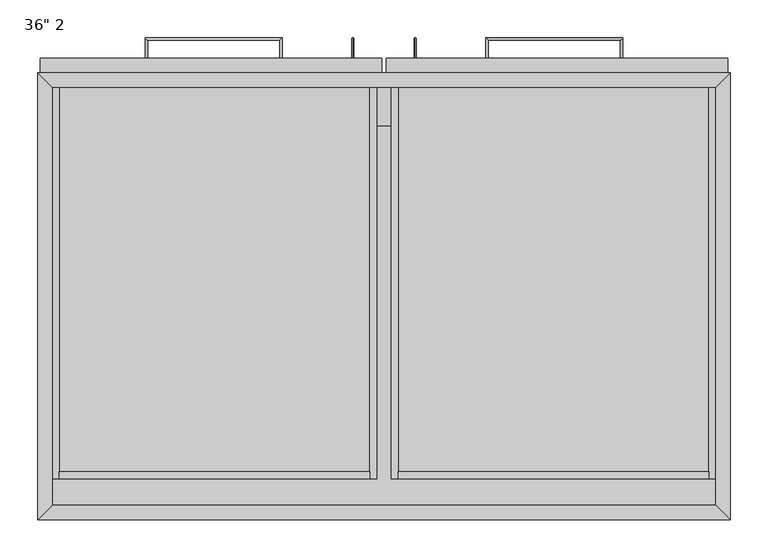
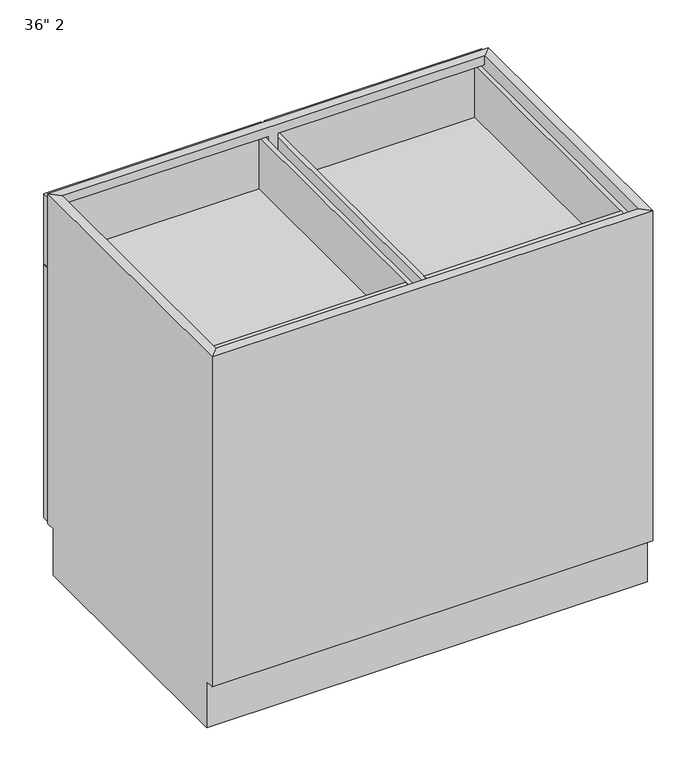
"""IFC4 building model written with IfcOpenShell, lengths in millimetres: furniture geometry."""

from ifc_helpers import new_model, si_unit, frame, origin, place, context, project, spatial, polyline, circle_curve, ellipse_curve, outline, extrude, faceted_brep, source, transform, mapped, element, save
from ifc_brep_helpers import plane_surface, cylinder_surface, advanced_brep


def furniture_7ae30dd4(model_context):
    return source(origin(), model_context, "Body", "SolidModel", [
        extrude(outline(polyline([(-419.4122951, 520.7), (-419.4122951, 571.5), (456.8877049, 571.5), (456.8877049, 520.7), (-419.4122951, 520.7)])), frame((0.0, 0.0, 654.05), z_axis=(0.0, 0.0, 1.0), x_axis=(1.0, 0.0, 0.0)), (0.0, 0.0, 1.0), 19.05),
        extrude(outline(polyline([(456.8877049, 19.05), (-419.4122951, 19.05), (-419.4122951, 571.5), (456.8877049, 571.5), (456.8877049, 19.05)])), frame((0.0, 0.0, 101.6), z_axis=(0.0, 0.0, 1.0), x_axis=(1.0, 0.0, 0.0)), (0.0, 0.0, 1.0), 19.05),
        extrude(outline(polyline([(15.5627049, 609.6), (15.5627049, 590.55), (-435.2872951, 590.55), (-435.2872951, 609.6), (15.5627049, 609.6)])), frame((0.0, 0.0, 660.4), z_axis=(0.0, 0.0, 1.0), x_axis=(1.0, 0.0, 0.0)), (0.0, 0.0, 1.0), 152.4),
        extrude(outline(polyline([(472.7627049, 609.6), (472.7627049, 590.55), (21.9127049, 590.55), (21.9127049, 609.6), (472.7627049, 609.6)])), frame((0.0, 0.0, 660.4), z_axis=(0.0, 0.0, 1.0), x_axis=(1.0, 0.0, 0.0)), (0.0, 0.0, 1.0), 152.4),
        extrude(outline(polyline([(15.5627049, 609.6), (15.5627049, 590.55), (-435.2872951, 590.55), (-435.2872951, 609.6), (15.5627049, 609.6)])), frame((0.0, 0.0, 101.6), z_axis=(0.0, 0.0, 1.0), x_axis=(1.0, 0.0, 0.0)), (0.0, 0.0, 1.0), 555.625),
        extrude(outline(polyline([(472.7627049, 609.6), (472.7627049, 590.55), (21.9127049, 590.55), (21.9127049, 609.6), (472.7627049, 609.6)])), frame((0.0, 0.0, 101.6), z_axis=(0.0, 0.0, 1.0), x_axis=(1.0, 0.0, 0.0)), (0.0, 0.0, 1.0), 555.625),
        advanced_brep(
        [(-118.9787451, 609.6, 742.7699324), (-115.8037451, 609.6, 742.7699324), (-115.8037451, 636.5875, 742.7699324), (-118.9787451, 633.4125, 742.7699324), (-296.7787451, 636.5875, 742.7699324), (-293.6037451, 633.4125, 742.7699324), (-293.6037451, 609.6, 742.7699324), (-296.7787451, 609.6, 742.7699324)],
        [
            (0, 1, circle_curve(frame((-117.3912451, 609.6, 742.7699324), z_axis=(0.0, -1.0, 0.0), x_axis=(1.0, 0.0, 0.0)), 1.5875)),
            (1, 0, circle_curve(frame((-117.3912451, 609.6, 742.7699324), z_axis=(0.0, -1.0, 0.0), x_axis=(1.0, 0.0, 0.0)), 1.5875)),
            (1, 2),
            (2, 3, ellipse_curve(frame((-117.3912451, 635.0, 742.7699324), z_axis=(0.7071067811865475, -0.7071067811865475, 0.0), x_axis=(-0.7071067811865474, -0.7071067811865476, 0.0)), 2.245064, 1.5875)),
            (3, 0),
            (3, 2, ellipse_curve(frame((-117.3912451, 635.0, 742.7699324), z_axis=(0.7071067811865475, -0.7071067811865475, 0.0), x_axis=(-0.7071067811865474, -0.7071067811865476, 0.0)), 2.245064, 1.5875)),
            (2, 4),
            (4, 5, ellipse_curve(frame((-295.1912451, 635.0, 742.7699324), z_axis=(0.7071067811865475, 0.7071067811865475, 0.0), x_axis=(0.7071067811865476, -0.7071067811865474, 0.0)), 2.245064, 1.5875)),
            (5, 3),
            (5, 4, ellipse_curve(frame((-295.1912451, 635.0, 742.7699324), z_axis=(0.7071067811865475, 0.7071067811865475, 0.0), x_axis=(0.7071067811865476, -0.7071067811865474, 0.0)), 2.245064, 1.5875)),
            (6, 7, circle_curve(frame((-295.1912451, 609.6, 742.7699324), z_axis=(0.0, -1.0, 0.0), x_axis=(-1.0, 0.0, 0.0)), 1.5875)),
            (7, 6, circle_curve(frame((-295.1912451, 609.6, 742.7699324), z_axis=(0.0, -1.0, 0.0), x_axis=(-1.0, 0.0, 0.0)), 1.5875)),
            (4, 7),
            (6, 5),
        ],
        [
            plane_surface(frame((-117.3912451, 609.6, 742.7699324), z_axis=(0.0, -1.0, 0.0), x_axis=(0.0, 0.0, 1.0))),
            cylinder_surface(frame((-117.3912451, 609.6, 742.7699324), z_axis=(0.0, -1.0, 0.0), x_axis=(1.0, 0.0, 0.0)), 1.5875),
            cylinder_surface(frame((-117.3912451, 635.0, 742.7699324), z_axis=(1.0, 0.0, 0.0), x_axis=(0.0, 1.0, 0.0)), 1.5875),
            plane_surface(frame((-295.1912451, 609.6, 742.7699324), z_axis=(0.0, -1.0, 0.0), x_axis=(0.0, 0.0, 1.0))),
            cylinder_surface(frame((-295.1912451, 635.0, 742.7699324), z_axis=(0.0, 1.0, 0.0), x_axis=(-1.0, 0.0, 0.0)), 1.5875),
        ],
        [
            (0, [[1, 2]]),
            (1, [[3, 4, 5, -2]]),
            (1, [[-5, 6, -3, -1]]),
            (2, [[7, 8, 9, -4]]),
            (2, [[-9, 10, -7, -6]]),
            (3, [[11, 12]]),
            (4, [[13, -11, 14, -8]]),
            (4, [[-14, -12, -13, -10]]),
        ],
    ),
        advanced_brep(
        [(153.2791549, 609.6, 742.7699324), (156.4541549, 609.6, 742.7699324), (156.4541549, 633.4125, 742.7699324), (153.2791549, 636.5875, 742.7699324), (331.0791549, 633.4125, 742.7699324), (334.2541549, 636.5875, 742.7699324), (334.2541549, 609.6, 742.7699324), (331.0791549, 609.6, 742.7699324)],
        [
            (0, 1, circle_curve(frame((154.8666549, 609.6, 742.7699324), z_axis=(0.0, -1.0, 0.0), x_axis=(1.0, 0.0, 0.0)), 1.5875)),
            (1, 0, circle_curve(frame((154.8666549, 609.6, 742.7699324), z_axis=(0.0, -1.0, 0.0), x_axis=(1.0, 0.0, 0.0)), 1.5875)),
            (1, 2),
            (2, 3, ellipse_curve(frame((154.8666549, 635.0, 742.7699324), z_axis=(-0.7071067811865475, -0.7071067811865475, 0.0), x_axis=(0.7071067811865474, -0.7071067811865476, 0.0)), 2.245064, 1.5875)),
            (3, 0),
            (3, 2, ellipse_curve(frame((154.8666549, 635.0, 742.7699324), z_axis=(-0.7071067811865475, -0.7071067811865475, 0.0), x_axis=(0.7071067811865474, -0.7071067811865476, 0.0)), 2.245064, 1.5875)),
            (2, 4),
            (4, 5, ellipse_curve(frame((332.6666549, 635.0, 742.7699324), z_axis=(-0.7071067811865475, 0.7071067811865475, 0.0), x_axis=(-0.7071067811865476, -0.7071067811865474, 0.0)), 2.245064, 1.5875)),
            (5, 3),
            (5, 4, ellipse_curve(frame((332.6666549, 635.0, 742.7699324), z_axis=(-0.7071067811865475, 0.7071067811865475, 0.0), x_axis=(-0.7071067811865476, -0.7071067811865474, 0.0)), 2.245064, 1.5875)),
            (6, 7, circle_curve(frame((332.6666549, 609.6, 742.7699324), z_axis=(0.0, -1.0, 0.0), x_axis=(-1.0, 0.0, 0.0)), 1.5875)),
            (7, 6, circle_curve(frame((332.6666549, 609.6, 742.7699324), z_axis=(0.0, -1.0, 0.0), x_axis=(-1.0, 0.0, 0.0)), 1.5875)),
            (4, 7),
            (6, 5),
        ],
        [
            plane_surface(frame((154.8666549, 609.6, 742.7699324), z_axis=(0.0, -1.0, 0.0), x_axis=(0.0, 0.0, 1.0))),
            cylinder_surface(frame((154.8666549, 609.6, 742.7699324), z_axis=(0.0, -1.0, 0.0), x_axis=(1.0, 0.0, 0.0)), 1.5875),
            cylinder_surface(frame((154.8666549, 635.0, 742.7699324), z_axis=(-1.0, 0.0, 0.0), x_axis=(0.0, -1.0, 0.0)), 1.5875),
            plane_surface(frame((332.6666549, 609.6, 742.7699324), z_axis=(0.0, -1.0, 0.0), x_axis=(0.0, 0.0, 1.0))),
            cylinder_surface(frame((332.6666549, 635.0, 742.7699324), z_axis=(0.0, 1.0, 0.0), x_axis=(-1.0, 0.0, 0.0)), 1.5875),
        ],
        [
            (0, [[1, 2]]),
            (1, [[3, 4, 5, -2]]),
            (1, [[-5, 6, -3, -1]]),
            (2, [[7, 8, 9, -4]]),
            (2, [[-9, 10, -7, -6]]),
            (3, [[11, 12]]),
            (4, [[13, -11, 14, -8]]),
            (4, [[-14, -12, -13, -10]]),
        ],
    ),
        advanced_brep(
        [(-22.5139911, 609.6, 617.5375), (-22.5139911, 609.6, 620.7125), (-22.5139911, 636.5875, 620.7125), (-22.5139911, 633.4125, 617.5375), (-22.5139911, 636.5875, 442.9125), (-22.5139911, 633.4125, 446.0875), (-22.5139911, 609.6, 446.0875), (-22.5139911, 609.6, 442.9125)],
        [
            (0, 1, circle_curve(frame((-22.5139911, 609.6, 619.125), z_axis=(0.0, -1.0, 0.0), x_axis=(0.0, 0.0, 1.0)), 1.5875)),
            (1, 0, circle_curve(frame((-22.5139911, 609.6, 619.125), z_axis=(0.0, -1.0, 0.0), x_axis=(0.0, 0.0, 1.0)), 1.5875)),
            (1, 2),
            (2, 3, ellipse_curve(frame((-22.5139911, 635.0, 619.125), z_axis=(0.0, -0.7071067811865475, 0.7071067811865475), x_axis=(0.0, -0.7071067811865476, -0.7071067811865474)), 2.245064, 1.5875)),
            (3, 0),
            (3, 2, ellipse_curve(frame((-22.5139911, 635.0, 619.125), z_axis=(0.0, -0.7071067811865475, 0.7071067811865475), x_axis=(0.0, -0.7071067811865476, -0.7071067811865474)), 2.245064, 1.5875)),
            (2, 4),
            (4, 5, ellipse_curve(frame((-22.5139911, 635.0, 444.5), z_axis=(0.0, 0.7071067811865475, 0.7071067811865475), x_axis=(0.0, -0.7071067811865474, 0.7071067811865476)), 2.245064, 1.5875)),
            (5, 3),
            (5, 4, ellipse_curve(frame((-22.5139911, 635.0, 444.5), z_axis=(0.0, 0.7071067811865475, 0.7071067811865475), x_axis=(0.0, -0.7071067811865474, 0.7071067811865476)), 2.245064, 1.5875)),
            (6, 7, circle_curve(frame((-22.5139911, 609.6, 444.5), z_axis=(0.0, -1.0, 0.0), x_axis=(0.0, 0.0, -1.0)), 1.5875)),
            (7, 6, circle_curve(frame((-22.5139911, 609.6, 444.5), z_axis=(0.0, -1.0, 0.0), x_axis=(0.0, 0.0, -1.0)), 1.5875)),
            (4, 7),
            (6, 5),
        ],
        [
            plane_surface(frame((-22.5139911, 609.6, 619.125), z_axis=(0.0, -1.0, 0.0), x_axis=(-1.0, 0.0, 0.0))),
            cylinder_surface(frame((-22.5139911, 609.6, 619.125), z_axis=(0.0, -1.0, 0.0), x_axis=(0.0, 0.0, 1.0)), 1.5875),
            cylinder_surface(frame((-22.5139911, 635.0, 619.125), z_axis=(0.0, 0.0, 1.0), x_axis=(0.0, 1.0, 0.0)), 1.5875),
            plane_surface(frame((-22.5139911, 609.6, 444.5), z_axis=(0.0, -1.0, 0.0), x_axis=(-1.0, 0.0, 0.0))),
            cylinder_surface(frame((-22.5139911, 635.0, 444.5), z_axis=(0.0, 1.0, 0.0), x_axis=(0.0, 0.0, -1.0)), 1.5875),
        ],
        [
            (0, [[1, 2]]),
            (1, [[3, 4, 5, -2]]),
            (1, [[-5, 6, -3, -1]]),
            (2, [[7, 8, 9, -4]]),
            (2, [[-9, 10, -7, -6]]),
            (3, [[11, 12]]),
            (4, [[13, -11, 14, -8]]),
            (4, [[-14, -12, -13, -10]]),
        ],
    ),
        advanced_brep(
        [(59.9894009, 609.6, 620.7125), (59.9894009, 609.6, 617.5375), (59.9894009, 633.4125, 617.5375), (59.9894009, 636.5875, 620.7125), (59.9894009, 633.4125, 446.0875), (59.9894009, 636.5875, 442.9125), (59.9894009, 609.6, 442.9125), (59.9894009, 609.6, 446.0875)],
        [
            (0, 1, circle_curve(frame((59.9894009, 609.6, 619.125), z_axis=(0.0, -1.0, 0.0), x_axis=(0.0, 0.0, -1.0)), 1.5875)),
            (1, 0, circle_curve(frame((59.9894009, 609.6, 619.125), z_axis=(0.0, -1.0, 0.0), x_axis=(0.0, 0.0, -1.0)), 1.5875)),
            (1, 2),
            (2, 3, ellipse_curve(frame((59.9894009, 635.0, 619.125), z_axis=(0.0, -0.7071067811865475, 0.7071067811865475), x_axis=(0.0, -0.7071067811865476, -0.7071067811865474)), 2.245064, 1.5875)),
            (3, 0),
            (3, 2, ellipse_curve(frame((59.9894009, 635.0, 619.125), z_axis=(0.0, -0.7071067811865475, 0.7071067811865475), x_axis=(0.0, -0.7071067811865476, -0.7071067811865474)), 2.245064, 1.5875)),
            (2, 4),
            (4, 5, ellipse_curve(frame((59.9894009, 635.0, 444.5), z_axis=(0.0, 0.7071067811865475, 0.7071067811865475), x_axis=(0.0, -0.7071067811865474, 0.7071067811865476)), 2.245064, 1.5875)),
            (5, 3),
            (5, 4, ellipse_curve(frame((59.9894009, 635.0, 444.5), z_axis=(0.0, 0.7071067811865475, 0.7071067811865475), x_axis=(0.0, -0.7071067811865474, 0.7071067811865476)), 2.245064, 1.5875)),
            (6, 7, circle_curve(frame((59.9894009, 609.6, 444.5), z_axis=(0.0, -1.0, 0.0), x_axis=(0.0, 0.0, 1.0)), 1.5875)),
            (7, 6, circle_curve(frame((59.9894009, 609.6, 444.5), z_axis=(0.0, -1.0, 0.0), x_axis=(0.0, 0.0, 1.0)), 1.5875)),
            (4, 7),
            (6, 5),
        ],
        [
            plane_surface(frame((59.9894009, 609.6, 619.125), z_axis=(0.0, -1.0, 0.0), x_axis=(1.0, 0.0, 0.0))),
            cylinder_surface(frame((59.9894009, 609.6, 619.125), z_axis=(0.0, -1.0, 0.0), x_axis=(0.0, 0.0, -1.0)), 1.5875),
            cylinder_surface(frame((59.9894009, 635.0, 619.125), z_axis=(0.0, 0.0, 1.0), x_axis=(0.0, -1.0, 0.0)), 1.5875),
            plane_surface(frame((59.9894009, 609.6, 444.5), z_axis=(0.0, -1.0, 0.0), x_axis=(1.0, 0.0, 0.0))),
            cylinder_surface(frame((59.9894009, 635.0, 444.5), z_axis=(0.0, 1.0, 0.0), x_axis=(0.0, 0.0, 1.0)), 1.5875),
        ],
        [
            (0, [[1, 2]]),
            (1, [[3, 4, 5, -2]]),
            (1, [[-5, 6, -3, -1]]),
            (2, [[7, 8, 9, -4]]),
            (2, [[-9, 10, -7, -6]]),
            (3, [[11, 12]]),
            (4, [[13, -11, 14, -8]]),
            (4, [[-14, -12, -13, -10]]),
        ],
    ),
        faceted_brep([(456.8877049, 571.5, 101.6), (456.8877049, 571.5, 120.65), (28.2627049, 571.5, 120.65), (28.2627049, 571.5, 650.875), (456.8877049, 571.5, 650.875), (456.8877049, 571.5, 666.75), (28.2627049, 571.5, 666.75), (28.2627049, 571.5, 806.45), (456.8877049, 571.5, 806.45), (456.8877049, 571.5, 825.5), (-419.4122951, 571.5, 825.5), (-419.4122951, 571.5, 806.45), (9.2127049, 571.5, 806.45), (9.2127049, 571.5, 666.75), (-419.4122951, 571.5, 666.75), (-419.4122951, 571.5, 650.875), (9.2127049, 571.5, 650.875), (9.2127049, 571.5, 120.65), (-419.4122951, 571.5, 120.65), (-419.4122951, 571.5, 101.6), (475.9377049, 590.55, 825.5), (-438.4622951, 590.55, 825.5), (475.9377049, 590.55, 101.6), (-438.4622951, 590.55, 101.6), (28.2627049, 590.55, 666.75), (456.8877049, 590.55, 666.75), (456.8877049, 590.55, 806.45), (28.2627049, 590.55, 806.45), (-419.4122951, 590.55, 666.75), (9.2127049, 590.55, 666.75), (9.2127049, 590.55, 806.45), (-419.4122951, 590.55, 806.45), (28.2627049, 590.55, 120.65), (456.8877049, 590.55, 120.65), (456.8877049, 590.55, 650.875), (28.2627049, 590.55, 650.875), (-419.4122951, 590.55, 120.65), (9.2127049, 590.55, 120.65), (9.2127049, 590.55, 650.875), (-419.4122951, 590.55, 650.875), (-419.4122951, 19.05, 101.6), (-419.4122951, 19.05, 825.5), (-438.4622951, 0.0, 825.5), (-438.4622951, 571.5, 101.6), (-438.4622951, 571.5, 0.0), (-438.4622951, 19.05, 0.0), (-438.4622951, 19.05, 101.6), (-438.4622951, 0.0, 101.6), (456.8877049, 19.05, 825.5), (456.8877049, 19.05, 101.6), (475.9377049, 0.0, 825.5), (475.9377049, 0.0, 101.6), (475.9377049, 19.05, 101.6), (475.9377049, 19.05, 0.0), (475.9377049, 571.5, 0.0), (475.9377049, 571.5, 101.6)], [[[0, 1, 2, 3, 4, 5, 6, 7, 8, 9, 10, 11, 12, 13, 14, 15, 16, 17, 18, 19]], [[9, 20, 21, 10]], [[20, 22, 23, 21], [24, 25, 26, 27], [28, 29, 30, 31], [32, 33, 34, 35], [36, 37, 38, 39]], [[19, 23, 22, 0]], [[40, 19, 18, 36, 39, 15, 14, 28, 31, 11, 10, 41]], [[21, 42, 41, 10]], [[23, 43, 44, 45, 46, 47, 42, 21]], [[19, 43, 23]], [[47, 46, 40]], [[41, 48, 49, 40]], [[42, 50, 48, 41]], [[47, 51, 50, 42]], [[40, 49, 51, 47]], [[48, 9, 8, 26, 25, 5, 4, 34, 33, 1, 0, 49]], [[9, 48, 50, 20]], [[20, 50, 51, 52, 53, 54, 55, 22]], [[22, 55, 0]], [[49, 52, 51]], [[19, 40, 49, 0]], [[53, 45, 44, 54]], [[53, 52, 49, 40, 46, 45]], [[44, 43, 19, 0, 55, 54]], [[24, 27, 7, 6]], [[6, 5, 25, 24]], [[27, 26, 8, 7]], [[14, 13, 29, 28]], [[13, 12, 30, 29]], [[31, 30, 12, 11]], [[32, 35, 3, 2]], [[2, 1, 33, 32]], [[35, 34, 4, 3]], [[18, 17, 37, 36]], [[17, 16, 38, 37]], [[39, 38, 16, 15]]]),
        extrude(outline(polyline([(456.8877049, 19.05), (-419.4122951, 19.05), (-419.4122951, 587.375), (456.8877049, 587.375), (456.8877049, 19.05)])), frame((0.0, 0.0, 477.8037229), z_axis=(0.0, 0.0, 1.0), x_axis=(1.0, 0.0, 0.0)), (0.0, 0.0, 1.0), 19.05),
        extrude(outline(polyline([(456.8877049, 19.05), (-419.4122951, 19.05), (-419.4122951, 587.375), (456.8877049, 587.375), (456.8877049, 19.05)])), frame((0.0, 0.0, 300.0037229), z_axis=(0.0, 0.0, 1.0), x_axis=(1.0, 0.0, 0.0)), (0.0, 0.0, 1.0), 19.05),
        extrude(outline(polyline([(447.3627049, 53.975), (37.7877049, 53.975), (37.7877049, 63.5), (447.3627049, 63.5), (447.3627049, 53.975)])), frame((0.0, 0.0, 682.625), z_axis=(0.0, 0.0, 1.0), x_axis=(1.0, 0.0, 0.0)), (0.0, 0.0, 1.0), 114.3),
        extrude(outline(polyline([(-0.3122951, 53.975), (-409.8872951, 53.975), (-409.8872951, 63.5), (-0.3122951, 63.5), (-0.3122951, 53.975)])), frame((0.0, 0.0, 682.625), z_axis=(0.0, 0.0, 1.0), x_axis=(1.0, 0.0, 0.0)), (0.0, 0.0, 1.0), 114.3),
        extrude(outline(polyline([(673.1, 28.2627049), (673.1, 456.8877049), (796.925, 456.8877049), (796.925, 447.3627049), (682.625, 447.3627049), (682.625, 37.7877049), (796.925, 37.7877049), (796.925, 28.2627049), (673.1, 28.2627049)])), frame((0.0, 53.975, 0.0), z_axis=(0.0, 1.0, 0.0), x_axis=(0.0, 0.0, 1.0)), (0.0, 0.0, 1.0), 536.575),
        extrude(outline(polyline([(673.1, -419.4122951), (673.1, 9.2127049), (796.925, 9.2127049), (796.925, -0.3122951), (682.625, -0.3122951), (682.625, -409.8872951), (796.925, -409.8872951), (796.925, -419.4122951), (673.1, -419.4122951)])), frame((0.0, 53.975, 0.0), z_axis=(0.0, 1.0, 0.0), x_axis=(0.0, 0.0, 1.0)), (0.0, 0.0, 1.0), 536.575),
    ])


if __name__ == "__main__":
    model = new_model("IFC4")
    model_context = context("Model", 3, world=origin())
    ifc_project = project(units=[si_unit("LENGTHUNIT", "METRE", prefix="MILLI")], contexts=[model_context])
    site = spatial("IfcSite", under=ifc_project)
    building = spatial("IfcBuilding", under=site)
    placement = place(None, origin())
    furniture_shape = furniture_7ae30dd4(model_context)
    element("IfcFurniture", 1, ObjectType="36\" 2", at=placement, inside=building, context=model_context, shape_type="MappedRepresentation", body=[
        mapped(furniture_shape, transform((0.0, 0.0, 0.0), x_axis=(1.0, 0.0, 0.0), y_axis=(0.0, 1.0, 0.0), z_axis=(0.0, 0.0, 1.0))),
    ])
    save(model, "model.ifc")
